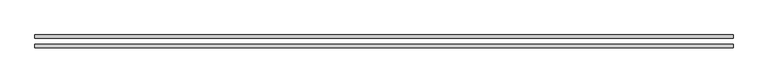
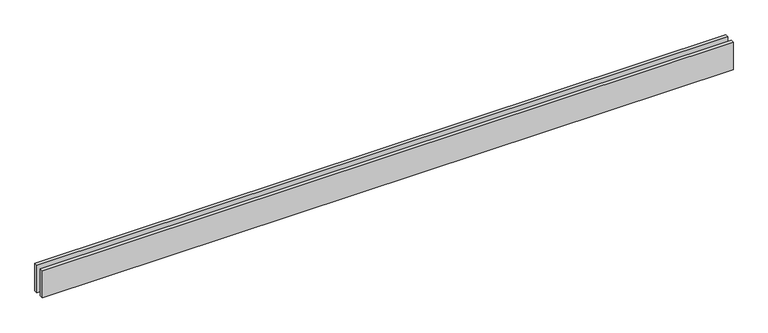
"""IFC4 building model written with IfcOpenShell, lengths in millimetres: proxy geometry."""

from ifc_helpers import new_model, si_unit, origin, origin_with_axes, place, context, project, spatial, polyline, outline, extrude, source, transform, mapped, element, save


def generic_models_c2e136d5(model_context):
    return source(origin(), model_context, "Body", "SweptSolid", [
        extrude(outline(polyline([(5947.553724, -25.0), (5947.553724, -55.0), (0.0, -55.0), (0.0, -25.0), (5947.553724, -25.0)])), origin_with_axes(), (0.0, 0.0, 1.0), 250.0),
        extrude(outline(polyline([(5947.553724, 55.0), (5947.553724, 25.0), (0.0, 25.0), (0.0, 55.0), (5947.553724, 55.0)])), origin_with_axes(), (0.0, 0.0, 1.0), 250.0),
    ])


if __name__ == "__main__":
    model = new_model("IFC4")
    model_context = context("Model", 3, world=origin())
    ifc_project = project(units=[si_unit("LENGTHUNIT", "METRE", prefix="MILLI")], contexts=[model_context])
    site = spatial("IfcSite", under=ifc_project)
    building = spatial("IfcBuilding", under=site)
    placement = place(None, origin())
    generic_models_shape = generic_models_c2e136d5(model_context)
    element("IfcBuildingElementProxy", 1, Name="Generic Models", at=placement, inside=building, context=model_context, shape_type="MappedRepresentation", body=[
        mapped(generic_models_shape, transform((0.0, 0.0, 0.0), x_axis=(1.0, 0.0, 0.0), y_axis=(0.0, 1.0, 0.0), z_axis=(0.0, 0.0, 1.0))),
    ])
    save(model, "model.ifc")
